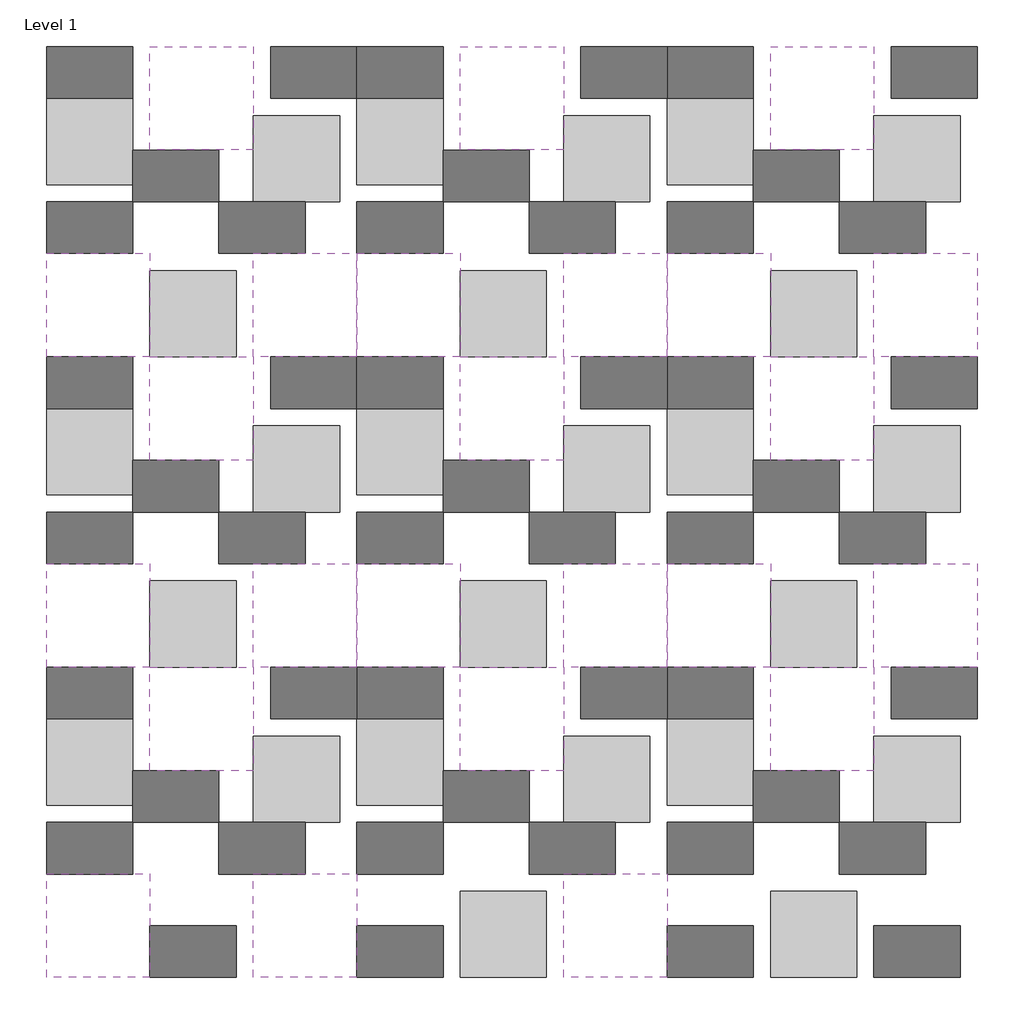
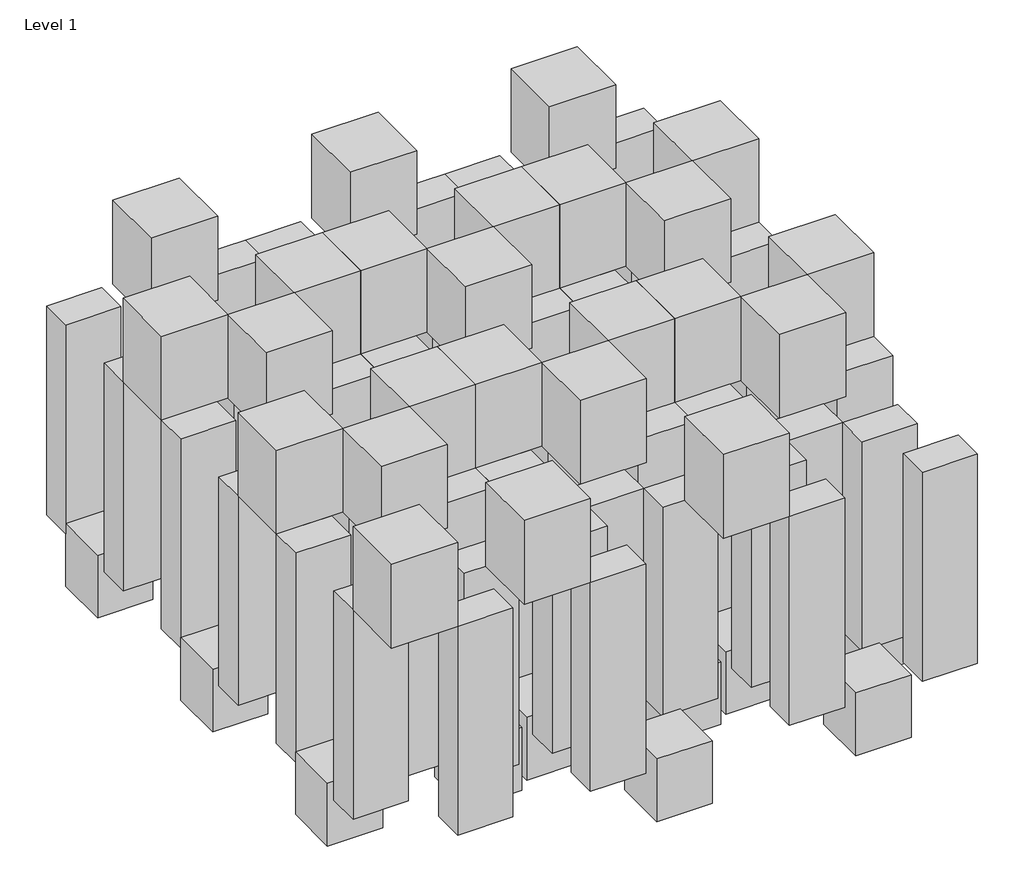
# One storey: 99 proxies.
"""IFC4 building model written with IfcOpenShell, lengths in millimetres."""

import ifcopenshell
import ifcopenshell.guid

model = None  # the IFC model being written
_history = None  # IfcOwnerHistory: only IFC2X3 demands one
_inside = {}  # id of a spatial element -> (the spatial element, [elements in it])
_under = {}  # id of a project, library or spatial element -> (it, [spatial elements below it])
_declared = {}  # id of a project -> (the project, [libraries it declares])
_typed = {}  # id of a type object -> (the type object, [elements of that type])
_made_of = {}  # id of a material, layer set ... -> (it, [elements and type objects made of it])


def new_model(schema):
    """Start an empty IFC model of exactly this schema.

    Asked for "IFC4X3", IfcOpenShell would pick the latest addendum, in which some entities
    have other attributes; the version numbers below select the first issue.
    IFC2X3 requires an IfcOwnerHistory on every rooted entity: one is made here for all.
    """
    global model, _history
    if schema == "IFC4X3":
        model = ifcopenshell.file(schema_version=(4, 3, 0, 0))
    else:
        model = ifcopenshell.file(schema=schema)
    _inside.clear()
    _under.clear()
    _declared.clear()
    _typed.clear()
    _made_of.clear()
    _history = None
    if model.schema == "IFC2X3":
        org = make("IfcOrganization", Name="unknown")
        user = make(
            "IfcPersonAndOrganization",
            ThePerson=make("IfcPerson", FamilyName="unknown"),
            TheOrganization=org,
        )
        app = make(
            "IfcApplication",
            ApplicationDeveloper=org,
            Version="unknown",
            ApplicationFullName="unknown",
            ApplicationIdentifier="unknown",
        )
        _history = make(
            "IfcOwnerHistory",
            OwningUser=user,
            OwningApplication=app,
            ChangeAction="ADDED",
            CreationDate=0,
        )
    return model


def make(cls, **values):
    """One entity of the class cls with the attributes given. An attribute that is None is left unset."""
    return model.create_entity(
        cls, **{name: value for name, value in values.items() if value is not None}
    )


def rooted(cls, **values):
    """An entity with a GlobalId (a new one), such as an element, a storey or a relation."""
    return make(cls, GlobalId=ifcopenshell.guid.new(), OwnerHistory=_history, **values)


def si_unit(unit_type, name, prefix=None):
    """IfcSIUnit, for example si_unit("LENGTHUNIT", "METRE", prefix="MILLI")."""
    return make("IfcSIUnit", UnitType=unit_type, Prefix=prefix, Name=name)


def assignment(units):
    """IfcUnitAssignment: the units of a project."""
    return None if units is None else make("IfcUnitAssignment", Units=units)


def point(xyz):
    """IfcCartesianPoint."""
    return None if xyz is None else make("IfcCartesianPoint", Coordinates=xyz)


def direction(xyz):
    """IfcDirection."""
    return None if xyz is None else make("IfcDirection", DirectionRatios=xyz)


def frame(location, z_axis=None, x_axis=None):
    """IfcAxis2Placement3D, a coordinate frame: its origin and axes. An axis left out is left unset."""
    return make(
        "IfcAxis2Placement3D",
        Location=point(location),
        Axis=direction(z_axis),
        RefDirection=direction(x_axis),
    )


def origin():
    """The frame at (0, 0, 0) with its axes left unset."""
    return frame((0.0, 0.0, 0.0))


def place(relative_to, where):
    """IfcLocalPlacement: puts the frame where relative to a parent placement (None: the world)."""
    return make(
        "IfcLocalPlacement", PlacementRelTo=relative_to, RelativePlacement=where
    )


def context(
    kind, dimensions, precision=None, world=None, true_north=None, identifier=None
):
    """IfcGeometricRepresentationContext, for example the 3D "Model" context."""
    return make(
        "IfcGeometricRepresentationContext",
        ContextIdentifier=identifier,
        ContextType=kind,
        CoordinateSpaceDimension=dimensions,
        Precision=precision,
        WorldCoordinateSystem=world,
        TrueNorth=true_north,
    )


def project(units=None, contexts=None):
    """IfcProject with its units and contexts."""
    return rooted(
        "IfcProject",
        Name="project",
        RepresentationContexts=contexts,
        UnitsInContext=assignment(units),
    )


def spatial(cls, under=None, at=None, **own):
    """A site, building, storey or space (cls), placed at a placement, below another one or the project."""
    s = rooted(cls, ObjectPlacement=at, **own)
    if under is not None:
        _under.setdefault(under.id(), (under, []))[1].append(s)
    return s


def polyline(points):
    """IfcPolyline through the points."""
    return make("IfcPolyline", Points=[point(p) for p in points])


def outline(outer, holes=None, kind="AREA"):
    """IfcArbitraryClosedProfileDef: a profile drawn as a closed curve; with holes, ...WithVoids."""
    if holes is None:
        return make("IfcArbitraryClosedProfileDef", ProfileType=kind, OuterCurve=outer)
    return make(
        "IfcArbitraryProfileDefWithVoids",
        ProfileType=kind,
        OuterCurve=outer,
        InnerCurves=holes,
    )


def extrude(swept, where, along, depth):
    """IfcExtrudedAreaSolid: the profile swept, set in the frame where, extruded along a direction by depth."""
    return make(
        "IfcExtrudedAreaSolid",
        SweptArea=swept,
        Position=where,
        ExtrudedDirection=direction(along),
        Depth=depth,
    )


def shape(context_of_items, identifier, shape_type, items):
    """IfcShapeRepresentation: the items that make up one representation, for example the "Body"."""
    return make(
        "IfcShapeRepresentation",
        ContextOfItems=context_of_items,
        RepresentationIdentifier=identifier,
        RepresentationType=shape_type,
        Items=items,
    )


def source(mapping_origin, context_of_items, identifier, shape_type, items):
    """IfcRepresentationMap: a shape defined once, which mapped items show again and again."""
    return make(
        "IfcRepresentationMap",
        MappingOrigin=mapping_origin,
        MappedRepresentation=shape(context_of_items, identifier, shape_type, items),
    )


def transform(
    local_origin,
    x_axis=None,
    y_axis=None,
    z_axis=None,
    scale=None,
    scale2=None,
    scale3=None,
    uniform=True,
):
    """IfcCartesianTransformationOperator3D, or its non-uniform kind. x_axis, y_axis, z_axis: its Axis1, 2, 3."""
    if uniform:
        return make(
            "IfcCartesianTransformationOperator3D",
            Axis1=direction(x_axis),
            Axis2=direction(y_axis),
            LocalOrigin=point(local_origin),
            Scale=scale,
            Axis3=direction(z_axis),
        )
    return make(
        "IfcCartesianTransformationOperator3DnonUniform",
        Axis1=direction(x_axis),
        Axis2=direction(y_axis),
        LocalOrigin=point(local_origin),
        Scale=scale,
        Axis3=direction(z_axis),
        Scale2=scale2,
        Scale3=scale3,
    )


def mapped(mapping_source, mapping_target):
    """IfcMappedItem: shows the shape of a source again, moved by a transform."""
    return make(
        "IfcMappedItem", MappingSource=mapping_source, MappingTarget=mapping_target
    )


def made_of(thing, what):
    """Note that an element or type object is made of a material, layer set ...; save() writes the relation."""
    if what is not None:
        _made_of.setdefault(what.id(), (what, []))[1].append(thing)
    return thing


def element(
    cls,
    number,
    at=None,
    inside=None,
    cuts=None,
    type_object=None,
    material=None,
    context=None,
    identifier="Body",
    shape_type=None,
    held_by="IfcProductDefinitionShape",
    body=None,
    shapes=None,
    **own,
):
    """One element of the class cls, such as IfcWall. Its Tag is "e" and its number.

    at: its placement. inside: the storey or other place that contains it. cuts: it is an
    opening in that element (IfcRelVoidsElement). A single representation is given by context,
    identifier, shape_type and body (its items); several are given by shapes. held_by: the class
    of the entity that holds the representations. save() writes the other relations.
    """
    e = rooted(cls, Tag="e%d" % number, ObjectPlacement=at, **own)
    if body is not None:
        shapes = [shape(context, identifier, shape_type, body)]
    if shapes is not None:
        e.Representation = make(held_by, Representations=shapes)
    if inside is not None:
        _inside.setdefault(inside.id(), (inside, []))[1].append(e)
    if cuts is not None:
        rooted(
            "IfcRelVoidsElement", RelatingBuildingElement=cuts, RelatedOpeningElement=e
        )
    if type_object is not None:
        _typed.setdefault(type_object.id(), (type_object, []))[1].append(e)
    return made_of(e, material)


def aggregate(whole, parts):
    """IfcRelAggregates: a whole, such as a stair, and the parts it consists of."""
    return rooted("IfcRelAggregates", RelatingObject=whole, RelatedObjects=parts)


def save(model, path):
    """Write the relations noted so far, then the file.

    IfcRelAggregates (storeys below a building ...), IfcRelContainedInSpatialStructure (elements
    in a storey), IfcRelDefinesByType, IfcRelAssociatesMaterial and IfcRelDeclares: one each for
    every whole, place, type object, material and project.
    """
    for whole, parts in _under.values():
        aggregate(whole, parts)
    for where, things in _inside.values():
        rooted(
            "IfcRelContainedInSpatialStructure",
            RelatedElements=things,
            RelatingStructure=where,
        )
    for kind, things in _typed.values():
        rooted("IfcRelDefinesByType", RelatedObjects=things, RelatingType=kind)
    for what, things in _made_of.values():
        rooted("IfcRelAssociatesMaterial", RelatedObjects=things, RelatingMaterial=what)
    for by, libraries in _declared.values():
        rooted("IfcRelDeclares", RelatingContext=by, RelatedDefinitions=libraries)
    model.write(path)


def proxy_30x60cm_f29a2e74(model_context):
    return source(origin(), model_context, "Body", "SweptSolid", [
        extrude(outline(polyline([(500.0, 300.0), (500.0, 0.0), (0.0, 0.0), (0.0, 300.0), (500.0, 300.0)])), frame((0.0, 0.0, 1000.0), z_axis=(0.0, 0.0, 1.0), x_axis=(1.0, 0.0, 0.0)), (0.0, 0.0, 1.0), 2000.0),
    ])


def proxy_50x60cm_c5d58151(model_context):
    return source(origin(), model_context, "Body", "SweptSolid", [
        extrude(outline(polyline([(500.0, 500.0), (500.0, 0.0), (0.0, 0.0), (0.0, 500.0), (500.0, 500.0)])), frame((0.0, 0.0, 500.0), z_axis=(0.0, 0.0, 1.0), x_axis=(1.0, 0.0, 0.0)), (0.0, 0.0, 1.0), 600.0),
    ])


def proxy_60x60cm_f0264738(model_context):
    return source(origin(), model_context, "Body", "SweptSolid", [
        extrude(outline(polyline([(600.0, 600.0), (600.0, 0.0), (0.0, 0.0), (0.0, 600.0), (600.0, 600.0)])), frame((0.0, 0.0, 3000.0), z_axis=(0.0, 0.0, 1.0), x_axis=(1.0, 0.0, 0.0)), (0.0, 0.0, 1.0), 800.0),
    ])


model = new_model("IFC4")

# Units and contexts
model_context = context("Model", 3, world=origin())
ifc_project = project(units=[si_unit("LENGTHUNIT", "METRE", prefix="MILLI")], contexts=[model_context])

# Site, building, storey
site = spatial("IfcSite", under=ifc_project)
building = spatial("IfcBuilding", under=site)
storey = spatial("IfcBuildingStorey", under=building, Name="Level 1", Elevation=0.0)

# Proxies
placement = place(None, origin())
proxy_30x60cm_shape = proxy_30x60cm_f29a2e74(model_context)
element("IfcBuildingElementProxy", 1, Name="30x60cm", ObjectType="30x60cm", at=placement, inside=storey, context=model_context, shape_type="MappedRepresentation", body=[
    mapped(proxy_30x60cm_shape, transform((-372208.4478794, 143346.9726842, 0.0), x_axis=(1.0, 0.0, 0.0), y_axis=(0.0, 1.0, 0.0), z_axis=(0.0, 0.0, 1.0))),
])
element("IfcBuildingElementProxy", 2, Name="30x60cm", ObjectType="30x60cm", at=placement, inside=storey, context=model_context, shape_type="MappedRepresentation", body=[
    mapped(proxy_30x60cm_shape, transform((-372208.4478794, 142446.9726842, 0.0), x_axis=(1.0, 0.0, 0.0), y_axis=(0.0, 1.0, 0.0), z_axis=(0.0, 0.0, 1.0))),
])
element("IfcBuildingElementProxy", 3, Name="30x60cm", ObjectType="30x60cm", at=placement, inside=storey, context=model_context, shape_type="MappedRepresentation", body=[
    mapped(proxy_30x60cm_shape, transform((-371708.4478794, 142746.9726842, 0.0), x_axis=(1.0, 0.0, 0.0), y_axis=(0.0, 1.0, 0.0), z_axis=(0.0, 0.0, 1.0))),
])
element("IfcBuildingElementProxy", 4, Name="30x60cm", ObjectType="30x60cm", at=placement, inside=storey, context=model_context, shape_type="MappedRepresentation", body=[
    mapped(proxy_30x60cm_shape, transform((-371208.4478794, 142446.9726842, 0.0), x_axis=(1.0, 0.0, 0.0), y_axis=(0.0, 1.0, 0.0), z_axis=(0.0, 0.0, 1.0))),
])
element("IfcBuildingElementProxy", 5, Name="30x60cm", ObjectType="30x60cm", at=placement, inside=storey, context=model_context, shape_type="MappedRepresentation", body=[
    mapped(proxy_30x60cm_shape, transform((-371608.4478794, 141846.9726842, 0.0), x_axis=(1.0, 0.0, 0.0), y_axis=(0.0, 1.0, 0.0), z_axis=(0.0, 0.0, 1.0))),
])
element("IfcBuildingElementProxy", 6, Name="30x60cm", ObjectType="30x60cm", at=placement, inside=storey, context=model_context, shape_type="MappedRepresentation", body=[
    mapped(proxy_30x60cm_shape, transform((-370908.4478794, 143346.9726842, 0.0), x_axis=(1.0, 0.0, 0.0), y_axis=(0.0, 1.0, 0.0), z_axis=(0.0, 0.0, 1.0))),
])
element("IfcBuildingElementProxy", 7, Name="30x60cm", ObjectType="30x60cm", at=placement, inside=storey, context=model_context, shape_type="MappedRepresentation", body=[
    mapped(proxy_30x60cm_shape, transform((-370408.4478794, 145146.9726842, 0.0), x_axis=(1.0, 0.0, 0.0), y_axis=(0.0, 1.0, 0.0), z_axis=(0.0, 0.0, 1.0))),
])
element("IfcBuildingElementProxy", 8, Name="30x60cm", ObjectType="30x60cm", at=placement, inside=storey, context=model_context, shape_type="MappedRepresentation", body=[
    mapped(proxy_30x60cm_shape, transform((-370408.4478794, 144246.9726842, 0.0), x_axis=(1.0, 0.0, 0.0), y_axis=(0.0, 1.0, 0.0), z_axis=(0.0, 0.0, 1.0))),
])
element("IfcBuildingElementProxy", 9, Name="30x60cm", ObjectType="30x60cm", at=placement, inside=storey, context=model_context, shape_type="MappedRepresentation", body=[
    mapped(proxy_30x60cm_shape, transform((-369908.4478794, 144546.9726842, 0.0), x_axis=(1.0, 0.0, 0.0), y_axis=(0.0, 1.0, 0.0), z_axis=(0.0, 0.0, 1.0))),
])
element("IfcBuildingElementProxy", 10, Name="30x60cm", ObjectType="30x60cm", at=placement, inside=storey, context=model_context, shape_type="MappedRepresentation", body=[
    mapped(proxy_30x60cm_shape, transform((-369408.4478794, 144246.9726842, 0.0), x_axis=(1.0, 0.0, 0.0), y_axis=(0.0, 1.0, 0.0), z_axis=(0.0, 0.0, 1.0))),
])
element("IfcBuildingElementProxy", 11, Name="30x60cm", ObjectType="30x60cm", at=placement, inside=storey, context=model_context, shape_type="MappedRepresentation", body=[
    mapped(proxy_30x60cm_shape, transform((-369108.4478794, 145146.9726842, 0.0), x_axis=(1.0, 0.0, 0.0), y_axis=(0.0, 1.0, 0.0), z_axis=(0.0, 0.0, 1.0))),
])
element("IfcBuildingElementProxy", 12, Name="30x60cm", ObjectType="30x60cm", at=placement, inside=storey, context=model_context, shape_type="MappedRepresentation", body=[
    mapped(proxy_30x60cm_shape, transform((-370408.4478794, 146946.9726842, 0.0), x_axis=(1.0, 0.0, 0.0), y_axis=(0.0, 1.0, 0.0), z_axis=(0.0, 0.0, 1.0))),
])
element("IfcBuildingElementProxy", 13, Name="30x60cm", ObjectType="30x60cm", at=placement, inside=storey, context=model_context, shape_type="MappedRepresentation", body=[
    mapped(proxy_30x60cm_shape, transform((-370408.4478794, 146046.9726842, 0.0), x_axis=(1.0, 0.0, 0.0), y_axis=(0.0, 1.0, 0.0), z_axis=(0.0, 0.0, 1.0))),
])
element("IfcBuildingElementProxy", 14, Name="30x60cm", ObjectType="30x60cm", at=placement, inside=storey, context=model_context, shape_type="MappedRepresentation", body=[
    mapped(proxy_30x60cm_shape, transform((-369908.4478794, 146346.9726842, 0.0), x_axis=(1.0, 0.0, 0.0), y_axis=(0.0, 1.0, 0.0), z_axis=(0.0, 0.0, 1.0))),
])
element("IfcBuildingElementProxy", 15, Name="30x60cm", ObjectType="30x60cm", at=placement, inside=storey, context=model_context, shape_type="MappedRepresentation", body=[
    mapped(proxy_30x60cm_shape, transform((-369408.4478794, 146046.9726842, 0.0), x_axis=(1.0, 0.0, 0.0), y_axis=(0.0, 1.0, 0.0), z_axis=(0.0, 0.0, 1.0))),
])
element("IfcBuildingElementProxy", 16, Name="30x60cm", ObjectType="30x60cm", at=placement, inside=storey, context=model_context, shape_type="MappedRepresentation", body=[
    mapped(proxy_30x60cm_shape, transform((-369108.4478794, 146946.9726842, 0.0), x_axis=(1.0, 0.0, 0.0), y_axis=(0.0, 1.0, 0.0), z_axis=(0.0, 0.0, 1.0))),
])
element("IfcBuildingElementProxy", 17, Name="30x60cm", ObjectType="30x60cm", at=placement, inside=storey, context=model_context, shape_type="MappedRepresentation", body=[
    mapped(proxy_30x60cm_shape, transform((-368608.4478794, 143346.9726842, 0.0), x_axis=(1.0, 0.0, 0.0), y_axis=(0.0, 1.0, 0.0), z_axis=(0.0, 0.0, 1.0))),
])
element("IfcBuildingElementProxy", 18, Name="30x60cm", ObjectType="30x60cm", at=placement, inside=storey, context=model_context, shape_type="MappedRepresentation", body=[
    mapped(proxy_30x60cm_shape, transform((-368608.4478794, 142446.9726842, 0.0), x_axis=(1.0, 0.0, 0.0), y_axis=(0.0, 1.0, 0.0), z_axis=(0.0, 0.0, 1.0))),
])
element("IfcBuildingElementProxy", 19, Name="30x60cm", ObjectType="30x60cm", at=placement, inside=storey, context=model_context, shape_type="MappedRepresentation", body=[
    mapped(proxy_30x60cm_shape, transform((-368108.4478794, 142746.9726842, 0.0), x_axis=(1.0, 0.0, 0.0), y_axis=(0.0, 1.0, 0.0), z_axis=(0.0, 0.0, 1.0))),
])
element("IfcBuildingElementProxy", 20, Name="30x60cm", ObjectType="30x60cm", at=placement, inside=storey, context=model_context, shape_type="MappedRepresentation", body=[
    mapped(proxy_30x60cm_shape, transform((-367608.4478794, 142446.9726842, 0.0), x_axis=(1.0, 0.0, 0.0), y_axis=(0.0, 1.0, 0.0), z_axis=(0.0, 0.0, 1.0))),
])
element("IfcBuildingElementProxy", 21, Name="30x60cm", ObjectType="30x60cm", at=placement, inside=storey, context=model_context, shape_type="MappedRepresentation", body=[
    mapped(proxy_30x60cm_shape, transform((-368608.4478794, 141846.9726842, 0.0), x_axis=(1.0, 0.0, 0.0), y_axis=(0.0, 1.0, 0.0), z_axis=(0.0, 0.0, 1.0))),
])
element("IfcBuildingElementProxy", 22, Name="30x60cm", ObjectType="30x60cm", at=placement, inside=storey, context=model_context, shape_type="MappedRepresentation", body=[
    mapped(proxy_30x60cm_shape, transform((-367408.4478794, 141846.9726842, 0.0), x_axis=(1.0, 0.0, 0.0), y_axis=(0.0, 1.0, 0.0), z_axis=(0.0, 0.0, 1.0))),
])
element("IfcBuildingElementProxy", 23, Name="30x60cm", ObjectType="30x60cm", at=placement, inside=storey, context=model_context, shape_type="MappedRepresentation", body=[
    mapped(proxy_30x60cm_shape, transform((-367308.4478794, 143346.9726842, 0.0), x_axis=(1.0, 0.0, 0.0), y_axis=(0.0, 1.0, 0.0), z_axis=(0.0, 0.0, 1.0))),
])
element("IfcBuildingElementProxy", 24, Name="30x60cm", ObjectType="30x60cm", at=placement, inside=storey, context=model_context, shape_type="MappedRepresentation", body=[
    mapped(proxy_30x60cm_shape, transform((-372208.4478794, 146946.9726842, 0.0), x_axis=(1.0, 0.0, 0.0), y_axis=(0.0, 1.0, 0.0), z_axis=(0.0, 0.0, 1.0))),
])
element("IfcBuildingElementProxy", 25, Name="30x60cm", ObjectType="30x60cm", at=placement, inside=storey, context=model_context, shape_type="MappedRepresentation", body=[
    mapped(proxy_30x60cm_shape, transform((-372208.4478794, 146046.9726842, 0.0), x_axis=(1.0, 0.0, 0.0), y_axis=(0.0, 1.0, 0.0), z_axis=(0.0, 0.0, 1.0))),
])
element("IfcBuildingElementProxy", 26, Name="30x60cm", ObjectType="30x60cm", at=placement, inside=storey, context=model_context, shape_type="MappedRepresentation", body=[
    mapped(proxy_30x60cm_shape, transform((-371708.4478794, 146346.9726842, 0.0), x_axis=(1.0, 0.0, 0.0), y_axis=(0.0, 1.0, 0.0), z_axis=(0.0, 0.0, 1.0))),
])
element("IfcBuildingElementProxy", 27, Name="30x60cm", ObjectType="30x60cm", at=placement, inside=storey, context=model_context, shape_type="MappedRepresentation", body=[
    mapped(proxy_30x60cm_shape, transform((-371208.4478794, 146046.9726842, 0.0), x_axis=(1.0, 0.0, 0.0), y_axis=(0.0, 1.0, 0.0), z_axis=(0.0, 0.0, 1.0))),
])
element("IfcBuildingElementProxy", 28, Name="30x60cm", ObjectType="30x60cm", at=placement, inside=storey, context=model_context, shape_type="MappedRepresentation", body=[
    mapped(proxy_30x60cm_shape, transform((-370908.4478794, 146946.9726842, 0.0), x_axis=(1.0, 0.0, 0.0), y_axis=(0.0, 1.0, 0.0), z_axis=(0.0, 0.0, 1.0))),
])
element("IfcBuildingElementProxy", 29, Name="30x60cm", ObjectType="30x60cm", at=placement, inside=storey, context=model_context, shape_type="MappedRepresentation", body=[
    mapped(proxy_30x60cm_shape, transform((-368608.4478794, 146946.9726842, 0.0), x_axis=(1.0, 0.0, 0.0), y_axis=(0.0, 1.0, 0.0), z_axis=(0.0, 0.0, 1.0))),
])
element("IfcBuildingElementProxy", 30, Name="30x60cm", ObjectType="30x60cm", at=placement, inside=storey, context=model_context, shape_type="MappedRepresentation", body=[
    mapped(proxy_30x60cm_shape, transform((-368608.4478794, 146046.9726842, 0.0), x_axis=(1.0, 0.0, 0.0), y_axis=(0.0, 1.0, 0.0), z_axis=(0.0, 0.0, 1.0))),
])
element("IfcBuildingElementProxy", 31, Name="30x60cm", ObjectType="30x60cm", at=placement, inside=storey, context=model_context, shape_type="MappedRepresentation", body=[
    mapped(proxy_30x60cm_shape, transform((-368108.4478794, 146346.9726842, 0.0), x_axis=(1.0, 0.0, 0.0), y_axis=(0.0, 1.0, 0.0), z_axis=(0.0, 0.0, 1.0))),
])
element("IfcBuildingElementProxy", 32, Name="30x60cm", ObjectType="30x60cm", at=placement, inside=storey, context=model_context, shape_type="MappedRepresentation", body=[
    mapped(proxy_30x60cm_shape, transform((-367608.4478794, 146046.9726842, 0.0), x_axis=(1.0, 0.0, 0.0), y_axis=(0.0, 1.0, 0.0), z_axis=(0.0, 0.0, 1.0))),
])
element("IfcBuildingElementProxy", 33, Name="30x60cm", ObjectType="30x60cm", at=placement, inside=storey, context=model_context, shape_type="MappedRepresentation", body=[
    mapped(proxy_30x60cm_shape, transform((-367308.4478794, 146946.9726842, 0.0), x_axis=(1.0, 0.0, 0.0), y_axis=(0.0, 1.0, 0.0), z_axis=(0.0, 0.0, 1.0))),
])
element("IfcBuildingElementProxy", 34, Name="30x60cm", ObjectType="30x60cm", at=placement, inside=storey, context=model_context, shape_type="MappedRepresentation", body=[
    mapped(proxy_30x60cm_shape, transform((-370408.4478794, 143346.9726842, 0.0), x_axis=(1.0, 0.0, 0.0), y_axis=(0.0, 1.0, 0.0), z_axis=(0.0, 0.0, 1.0))),
])
element("IfcBuildingElementProxy", 35, Name="30x60cm", ObjectType="30x60cm", at=placement, inside=storey, context=model_context, shape_type="MappedRepresentation", body=[
    mapped(proxy_30x60cm_shape, transform((-370408.4478794, 142446.9726842, 0.0), x_axis=(1.0, 0.0, 0.0), y_axis=(0.0, 1.0, 0.0), z_axis=(0.0, 0.0, 1.0))),
])
element("IfcBuildingElementProxy", 36, Name="30x60cm", ObjectType="30x60cm", at=placement, inside=storey, context=model_context, shape_type="MappedRepresentation", body=[
    mapped(proxy_30x60cm_shape, transform((-369908.4478794, 142746.9726842, 0.0), x_axis=(1.0, 0.0, 0.0), y_axis=(0.0, 1.0, 0.0), z_axis=(0.0, 0.0, 1.0))),
])
element("IfcBuildingElementProxy", 37, Name="30x60cm", ObjectType="30x60cm", at=placement, inside=storey, context=model_context, shape_type="MappedRepresentation", body=[
    mapped(proxy_30x60cm_shape, transform((-369408.4478794, 142446.9726842, 0.0), x_axis=(1.0, 0.0, 0.0), y_axis=(0.0, 1.0, 0.0), z_axis=(0.0, 0.0, 1.0))),
])
element("IfcBuildingElementProxy", 38, Name="30x60cm", ObjectType="30x60cm", at=placement, inside=storey, context=model_context, shape_type="MappedRepresentation", body=[
    mapped(proxy_30x60cm_shape, transform((-370408.4478794, 141846.9726842, 0.0), x_axis=(1.0, 0.0, 0.0), y_axis=(0.0, 1.0, 0.0), z_axis=(0.0, 0.0, 1.0))),
])
element("IfcBuildingElementProxy", 39, Name="30x60cm", ObjectType="30x60cm", at=placement, inside=storey, context=model_context, shape_type="MappedRepresentation", body=[
    mapped(proxy_30x60cm_shape, transform((-369108.4478794, 143346.9726842, 0.0), x_axis=(1.0, 0.0, 0.0), y_axis=(0.0, 1.0, 0.0), z_axis=(0.0, 0.0, 1.0))),
])
element("IfcBuildingElementProxy", 40, Name="30x60cm", ObjectType="30x60cm", at=placement, inside=storey, context=model_context, shape_type="MappedRepresentation", body=[
    mapped(proxy_30x60cm_shape, transform((-368608.4478794, 145146.9726842, 0.0), x_axis=(1.0, 0.0, 0.0), y_axis=(0.0, 1.0, 0.0), z_axis=(0.0, 0.0, 1.0))),
])
element("IfcBuildingElementProxy", 41, Name="30x60cm", ObjectType="30x60cm", at=placement, inside=storey, context=model_context, shape_type="MappedRepresentation", body=[
    mapped(proxy_30x60cm_shape, transform((-368608.4478794, 144246.9726842, 0.0), x_axis=(1.0, 0.0, 0.0), y_axis=(0.0, 1.0, 0.0), z_axis=(0.0, 0.0, 1.0))),
])
element("IfcBuildingElementProxy", 42, Name="30x60cm", ObjectType="30x60cm", at=placement, inside=storey, context=model_context, shape_type="MappedRepresentation", body=[
    mapped(proxy_30x60cm_shape, transform((-368108.4478794, 144546.9726842, 0.0), x_axis=(1.0, 0.0, 0.0), y_axis=(0.0, 1.0, 0.0), z_axis=(0.0, 0.0, 1.0))),
])
element("IfcBuildingElementProxy", 43, Name="30x60cm", ObjectType="30x60cm", at=placement, inside=storey, context=model_context, shape_type="MappedRepresentation", body=[
    mapped(proxy_30x60cm_shape, transform((-367608.4478794, 144246.9726842, 0.0), x_axis=(1.0, 0.0, 0.0), y_axis=(0.0, 1.0, 0.0), z_axis=(0.0, 0.0, 1.0))),
])
element("IfcBuildingElementProxy", 44, Name="30x60cm", ObjectType="30x60cm", at=placement, inside=storey, context=model_context, shape_type="MappedRepresentation", body=[
    mapped(proxy_30x60cm_shape, transform((-367308.4478794, 145146.9726842, 0.0), x_axis=(1.0, 0.0, 0.0), y_axis=(0.0, 1.0, 0.0), z_axis=(0.0, 0.0, 1.0))),
])
element("IfcBuildingElementProxy", 45, Name="30x60cm", ObjectType="30x60cm", at=placement, inside=storey, context=model_context, shape_type="MappedRepresentation", body=[
    mapped(proxy_30x60cm_shape, transform((-372208.4478794, 145146.9726842, 0.0), x_axis=(1.0, 0.0, 0.0), y_axis=(0.0, 1.0, 0.0), z_axis=(0.0, 0.0, 1.0))),
])
element("IfcBuildingElementProxy", 46, Name="30x60cm", ObjectType="30x60cm", at=placement, inside=storey, context=model_context, shape_type="MappedRepresentation", body=[
    mapped(proxy_30x60cm_shape, transform((-372208.4478794, 144246.9726842, 0.0), x_axis=(1.0, 0.0, 0.0), y_axis=(0.0, 1.0, 0.0), z_axis=(0.0, 0.0, 1.0))),
])
element("IfcBuildingElementProxy", 47, Name="30x60cm", ObjectType="30x60cm", at=placement, inside=storey, context=model_context, shape_type="MappedRepresentation", body=[
    mapped(proxy_30x60cm_shape, transform((-371708.4478794, 144546.9726842, 0.0), x_axis=(1.0, 0.0, 0.0), y_axis=(0.0, 1.0, 0.0), z_axis=(0.0, 0.0, 1.0))),
])
element("IfcBuildingElementProxy", 48, Name="30x60cm", ObjectType="30x60cm", at=placement, inside=storey, context=model_context, shape_type="MappedRepresentation", body=[
    mapped(proxy_30x60cm_shape, transform((-371208.4478794, 144246.9726842, 0.0), x_axis=(1.0, 0.0, 0.0), y_axis=(0.0, 1.0, 0.0), z_axis=(0.0, 0.0, 1.0))),
])
element("IfcBuildingElementProxy", 49, Name="30x60cm", ObjectType="30x60cm", at=placement, inside=storey, context=model_context, shape_type="MappedRepresentation", body=[
    mapped(proxy_30x60cm_shape, transform((-370908.4478794, 145146.9726842, 0.0), x_axis=(1.0, 0.0, 0.0), y_axis=(0.0, 1.0, 0.0), z_axis=(0.0, 0.0, 1.0))),
])
proxy_50x60cm_shape = proxy_50x60cm_c5d58151(model_context)
element("IfcBuildingElementProxy", 50, Name="50x60cm", ObjectType="50x60cm", at=placement, inside=storey, context=model_context, shape_type="MappedRepresentation", body=[
    mapped(proxy_50x60cm_shape, transform((-371008.4478794, 142746.9726842, 0.0), x_axis=(1.0, 0.0, 0.0), y_axis=(0.0, 1.0, 0.0), z_axis=(0.0, 0.0, 1.0))),
])
element("IfcBuildingElementProxy", 51, Name="50x60cm", ObjectType="50x60cm", at=placement, inside=storey, context=model_context, shape_type="MappedRepresentation", body=[
    mapped(proxy_50x60cm_shape, transform((-372208.4478794, 142846.9726842, 0.0), x_axis=(1.0, 0.0, 0.0), y_axis=(0.0, 1.0, 0.0), z_axis=(0.0, 0.0, 1.0))),
])
element("IfcBuildingElementProxy", 52, Name="50x60cm", ObjectType="50x60cm", at=placement, inside=storey, context=model_context, shape_type="MappedRepresentation", body=[
    mapped(proxy_50x60cm_shape, transform((-369808.4478794, 143646.9726842, 0.0), x_axis=(1.0, 0.0, 0.0), y_axis=(0.0, 1.0, 0.0), z_axis=(0.0, 0.0, 1.0))),
])
element("IfcBuildingElementProxy", 53, Name="50x60cm", ObjectType="50x60cm", at=placement, inside=storey, context=model_context, shape_type="MappedRepresentation", body=[
    mapped(proxy_50x60cm_shape, transform((-369208.4478794, 144546.9726842, 0.0), x_axis=(1.0, 0.0, 0.0), y_axis=(0.0, 1.0, 0.0), z_axis=(0.0, 0.0, 1.0))),
])
element("IfcBuildingElementProxy", 54, Name="50x60cm", ObjectType="50x60cm", at=placement, inside=storey, context=model_context, shape_type="MappedRepresentation", body=[
    mapped(proxy_50x60cm_shape, transform((-370408.4478794, 144646.9726842, 0.0), x_axis=(1.0, 0.0, 0.0), y_axis=(0.0, 1.0, 0.0), z_axis=(0.0, 0.0, 1.0))),
])
element("IfcBuildingElementProxy", 55, Name="50x60cm", ObjectType="50x60cm", at=placement, inside=storey, context=model_context, shape_type="MappedRepresentation", body=[
    mapped(proxy_50x60cm_shape, transform((-369808.4478794, 145446.9726842, 0.0), x_axis=(1.0, 0.0, 0.0), y_axis=(0.0, 1.0, 0.0), z_axis=(0.0, 0.0, 1.0))),
])
element("IfcBuildingElementProxy", 56, Name="50x60cm", ObjectType="50x60cm", at=placement, inside=storey, context=model_context, shape_type="MappedRepresentation", body=[
    mapped(proxy_50x60cm_shape, transform((-369208.4478794, 146346.9726842, 0.0), x_axis=(1.0, 0.0, 0.0), y_axis=(0.0, 1.0, 0.0), z_axis=(0.0, 0.0, 1.0))),
])
element("IfcBuildingElementProxy", 57, Name="50x60cm", ObjectType="50x60cm", at=placement, inside=storey, context=model_context, shape_type="MappedRepresentation", body=[
    mapped(proxy_50x60cm_shape, transform((-370408.4478794, 146446.9726842, 0.0), x_axis=(1.0, 0.0, 0.0), y_axis=(0.0, 1.0, 0.0), z_axis=(0.0, 0.0, 1.0))),
])
element("IfcBuildingElementProxy", 58, Name="50x60cm", ObjectType="50x60cm", at=placement, inside=storey, context=model_context, shape_type="MappedRepresentation", body=[
    mapped(proxy_50x60cm_shape, transform((-368008.4478794, 141846.9726842, 0.0), x_axis=(1.0, 0.0, 0.0), y_axis=(0.0, 1.0, 0.0), z_axis=(0.0, 0.0, 1.0))),
])
element("IfcBuildingElementProxy", 59, Name="50x60cm", ObjectType="50x60cm", at=placement, inside=storey, context=model_context, shape_type="MappedRepresentation", body=[
    mapped(proxy_50x60cm_shape, transform((-367408.4478794, 142746.9726842, 0.0), x_axis=(1.0, 0.0, 0.0), y_axis=(0.0, 1.0, 0.0), z_axis=(0.0, 0.0, 1.0))),
])
element("IfcBuildingElementProxy", 60, Name="50x60cm", ObjectType="50x60cm", at=placement, inside=storey, context=model_context, shape_type="MappedRepresentation", body=[
    mapped(proxy_50x60cm_shape, transform((-368608.4478794, 142846.9726842, 0.0), x_axis=(1.0, 0.0, 0.0), y_axis=(0.0, 1.0, 0.0), z_axis=(0.0, 0.0, 1.0))),
])
element("IfcBuildingElementProxy", 61, Name="50x60cm", ObjectType="50x60cm", at=placement, inside=storey, context=model_context, shape_type="MappedRepresentation", body=[
    mapped(proxy_50x60cm_shape, transform((-371608.4478794, 145446.9726842, 0.0), x_axis=(1.0, 0.0, 0.0), y_axis=(0.0, 1.0, 0.0), z_axis=(0.0, 0.0, 1.0))),
])
element("IfcBuildingElementProxy", 62, Name="50x60cm", ObjectType="50x60cm", at=placement, inside=storey, context=model_context, shape_type="MappedRepresentation", body=[
    mapped(proxy_50x60cm_shape, transform((-371008.4478794, 146346.9726842, 0.0), x_axis=(1.0, 0.0, 0.0), y_axis=(0.0, 1.0, 0.0), z_axis=(0.0, 0.0, 1.0))),
])
element("IfcBuildingElementProxy", 63, Name="50x60cm", ObjectType="50x60cm", at=placement, inside=storey, context=model_context, shape_type="MappedRepresentation", body=[
    mapped(proxy_50x60cm_shape, transform((-372208.4478794, 146446.9726842, 0.0), x_axis=(1.0, 0.0, 0.0), y_axis=(0.0, 1.0, 0.0), z_axis=(0.0, 0.0, 1.0))),
])
element("IfcBuildingElementProxy", 64, Name="50x60cm", ObjectType="50x60cm", at=placement, inside=storey, context=model_context, shape_type="MappedRepresentation", body=[
    mapped(proxy_50x60cm_shape, transform((-368008.4478794, 145446.9726842, 0.0), x_axis=(1.0, 0.0, 0.0), y_axis=(0.0, 1.0, 0.0), z_axis=(0.0, 0.0, 1.0))),
])
element("IfcBuildingElementProxy", 65, Name="50x60cm", ObjectType="50x60cm", at=placement, inside=storey, context=model_context, shape_type="MappedRepresentation", body=[
    mapped(proxy_50x60cm_shape, transform((-367408.4478794, 146346.9726842, 0.0), x_axis=(1.0, 0.0, 0.0), y_axis=(0.0, 1.0, 0.0), z_axis=(0.0, 0.0, 1.0))),
])
element("IfcBuildingElementProxy", 66, Name="50x60cm", ObjectType="50x60cm", at=placement, inside=storey, context=model_context, shape_type="MappedRepresentation", body=[
    mapped(proxy_50x60cm_shape, transform((-368608.4478794, 146446.9726842, 0.0), x_axis=(1.0, 0.0, 0.0), y_axis=(0.0, 1.0, 0.0), z_axis=(0.0, 0.0, 1.0))),
])
element("IfcBuildingElementProxy", 67, Name="50x60cm", ObjectType="50x60cm", at=placement, inside=storey, context=model_context, shape_type="MappedRepresentation", body=[
    mapped(proxy_50x60cm_shape, transform((-369808.4478794, 141846.9726842, 0.0), x_axis=(1.0, 0.0, 0.0), y_axis=(0.0, 1.0, 0.0), z_axis=(0.0, 0.0, 1.0))),
])
element("IfcBuildingElementProxy", 68, Name="50x60cm", ObjectType="50x60cm", at=placement, inside=storey, context=model_context, shape_type="MappedRepresentation", body=[
    mapped(proxy_50x60cm_shape, transform((-369208.4478794, 142746.9726842, 0.0), x_axis=(1.0, 0.0, 0.0), y_axis=(0.0, 1.0, 0.0), z_axis=(0.0, 0.0, 1.0))),
])
element("IfcBuildingElementProxy", 69, Name="50x60cm", ObjectType="50x60cm", at=placement, inside=storey, context=model_context, shape_type="MappedRepresentation", body=[
    mapped(proxy_50x60cm_shape, transform((-370408.4478794, 142846.9726842, 0.0), x_axis=(1.0, 0.0, 0.0), y_axis=(0.0, 1.0, 0.0), z_axis=(0.0, 0.0, 1.0))),
])
element("IfcBuildingElementProxy", 70, Name="50x60cm", ObjectType="50x60cm", at=placement, inside=storey, context=model_context, shape_type="MappedRepresentation", body=[
    mapped(proxy_50x60cm_shape, transform((-368008.4478794, 143646.9726842, 0.0), x_axis=(1.0, 0.0, 0.0), y_axis=(0.0, 1.0, 0.0), z_axis=(0.0, 0.0, 1.0))),
])
element("IfcBuildingElementProxy", 71, Name="50x60cm", ObjectType="50x60cm", at=placement, inside=storey, context=model_context, shape_type="MappedRepresentation", body=[
    mapped(proxy_50x60cm_shape, transform((-367408.4478794, 144546.9726842, 0.0), x_axis=(1.0, 0.0, 0.0), y_axis=(0.0, 1.0, 0.0), z_axis=(0.0, 0.0, 1.0))),
])
element("IfcBuildingElementProxy", 72, Name="50x60cm", ObjectType="50x60cm", at=placement, inside=storey, context=model_context, shape_type="MappedRepresentation", body=[
    mapped(proxy_50x60cm_shape, transform((-368608.4478794, 144646.9726842, 0.0), x_axis=(1.0, 0.0, 0.0), y_axis=(0.0, 1.0, 0.0), z_axis=(0.0, 0.0, 1.0))),
])
element("IfcBuildingElementProxy", 73, Name="50x60cm", ObjectType="50x60cm", at=placement, inside=storey, context=model_context, shape_type="MappedRepresentation", body=[
    mapped(proxy_50x60cm_shape, transform((-371608.4478794, 143646.9726842, 0.0), x_axis=(1.0, 0.0, 0.0), y_axis=(0.0, 1.0, 0.0), z_axis=(0.0, 0.0, 1.0))),
])
element("IfcBuildingElementProxy", 74, Name="50x60cm", ObjectType="50x60cm", at=placement, inside=storey, context=model_context, shape_type="MappedRepresentation", body=[
    mapped(proxy_50x60cm_shape, transform((-371008.4478794, 144546.9726842, 0.0), x_axis=(1.0, 0.0, 0.0), y_axis=(0.0, 1.0, 0.0), z_axis=(0.0, 0.0, 1.0))),
])
element("IfcBuildingElementProxy", 75, Name="50x60cm", ObjectType="50x60cm", at=placement, inside=storey, context=model_context, shape_type="MappedRepresentation", body=[
    mapped(proxy_50x60cm_shape, transform((-372208.4478794, 144646.9726842, 0.0), x_axis=(1.0, 0.0, 0.0), y_axis=(0.0, 1.0, 0.0), z_axis=(0.0, 0.0, 1.0))),
])
proxy_60x60cm_shape = proxy_60x60cm_f0264738(model_context)
element("IfcBuildingElementProxy", 76, Name="60x60cm", ObjectType="60x60cm", at=placement, inside=storey, context=model_context, shape_type="MappedRepresentation", body=[
    mapped(proxy_60x60cm_shape, transform((-372208.4478794, 141846.9726842, 0.0), x_axis=(1.0, 0.0, 0.0), y_axis=(0.0, 1.0, 0.0), z_axis=(0.0, 0.0, 1.0))),
])
element("IfcBuildingElementProxy", 77, Name="60x60cm", ObjectType="60x60cm", at=placement, inside=storey, context=model_context, shape_type="MappedRepresentation", body=[
    mapped(proxy_60x60cm_shape, transform((-371608.4478794, 143046.9726842, 0.0), x_axis=(1.0, 0.0, 0.0), y_axis=(0.0, 1.0, 0.0), z_axis=(0.0, 0.0, 1.0))),
])
element("IfcBuildingElementProxy", 78, Name="60x60cm", ObjectType="60x60cm", at=placement, inside=storey, context=model_context, shape_type="MappedRepresentation", body=[
    mapped(proxy_60x60cm_shape, transform((-371008.4478794, 141846.9726842, 0.0), x_axis=(1.0, 0.0, 0.0), y_axis=(0.0, 1.0, 0.0), z_axis=(0.0, 0.0, 1.0))),
])
element("IfcBuildingElementProxy", 79, Name="60x60cm", ObjectType="60x60cm", at=placement, inside=storey, context=model_context, shape_type="MappedRepresentation", body=[
    mapped(proxy_60x60cm_shape, transform((-370408.4478794, 143646.9726842, 0.0), x_axis=(1.0, 0.0, 0.0), y_axis=(0.0, 1.0, 0.0), z_axis=(0.0, 0.0, 1.0))),
])
element("IfcBuildingElementProxy", 80, Name="60x60cm", ObjectType="60x60cm", at=placement, inside=storey, context=model_context, shape_type="MappedRepresentation", body=[
    mapped(proxy_60x60cm_shape, transform((-369808.4478794, 144846.9726842, 0.0), x_axis=(1.0, 0.0, 0.0), y_axis=(0.0, 1.0, 0.0), z_axis=(0.0, 0.0, 1.0))),
])
element("IfcBuildingElementProxy", 81, Name="60x60cm", ObjectType="60x60cm", at=placement, inside=storey, context=model_context, shape_type="MappedRepresentation", body=[
    mapped(proxy_60x60cm_shape, transform((-369208.4478794, 143646.9726842, 0.0), x_axis=(1.0, 0.0, 0.0), y_axis=(0.0, 1.0, 0.0), z_axis=(0.0, 0.0, 1.0))),
])
element("IfcBuildingElementProxy", 82, Name="60x60cm", ObjectType="60x60cm", at=placement, inside=storey, context=model_context, shape_type="MappedRepresentation", body=[
    mapped(proxy_60x60cm_shape, transform((-370408.4478794, 145446.9726842, 0.0), x_axis=(1.0, 0.0, 0.0), y_axis=(0.0, 1.0, 0.0), z_axis=(0.0, 0.0, 1.0))),
])
element("IfcBuildingElementProxy", 83, Name="60x60cm", ObjectType="60x60cm", at=placement, inside=storey, context=model_context, shape_type="MappedRepresentation", body=[
    mapped(proxy_60x60cm_shape, transform((-369808.4478794, 146646.9726842, 0.0), x_axis=(1.0, 0.0, 0.0), y_axis=(0.0, 1.0, 0.0), z_axis=(0.0, 0.0, 1.0))),
])
element("IfcBuildingElementProxy", 84, Name="60x60cm", ObjectType="60x60cm", at=placement, inside=storey, context=model_context, shape_type="MappedRepresentation", body=[
    mapped(proxy_60x60cm_shape, transform((-369208.4478794, 145446.9726842, 0.0), x_axis=(1.0, 0.0, 0.0), y_axis=(0.0, 1.0, 0.0), z_axis=(0.0, 0.0, 1.0))),
])
element("IfcBuildingElementProxy", 85, Name="60x60cm", ObjectType="60x60cm", at=placement, inside=storey, context=model_context, shape_type="MappedRepresentation", body=[
    mapped(proxy_60x60cm_shape, transform((-368008.4478794, 143046.9726842, 0.0), x_axis=(1.0, 0.0, 0.0), y_axis=(0.0, 1.0, 0.0), z_axis=(0.0, 0.0, 1.0))),
])
element("IfcBuildingElementProxy", 86, Name="60x60cm", ObjectType="60x60cm", at=placement, inside=storey, context=model_context, shape_type="MappedRepresentation", body=[
    mapped(proxy_60x60cm_shape, transform((-372208.4478794, 145446.9726842, 0.0), x_axis=(1.0, 0.0, 0.0), y_axis=(0.0, 1.0, 0.0), z_axis=(0.0, 0.0, 1.0))),
])
element("IfcBuildingElementProxy", 87, Name="60x60cm", ObjectType="60x60cm", at=placement, inside=storey, context=model_context, shape_type="MappedRepresentation", body=[
    mapped(proxy_60x60cm_shape, transform((-371608.4478794, 146646.9726842, 0.0), x_axis=(1.0, 0.0, 0.0), y_axis=(0.0, 1.0, 0.0), z_axis=(0.0, 0.0, 1.0))),
])
element("IfcBuildingElementProxy", 88, Name="60x60cm", ObjectType="60x60cm", at=placement, inside=storey, context=model_context, shape_type="MappedRepresentation", body=[
    mapped(proxy_60x60cm_shape, transform((-371008.4478794, 145446.9726842, 0.0), x_axis=(1.0, 0.0, 0.0), y_axis=(0.0, 1.0, 0.0), z_axis=(0.0, 0.0, 1.0))),
])
element("IfcBuildingElementProxy", 89, Name="60x60cm", ObjectType="60x60cm", at=placement, inside=storey, context=model_context, shape_type="MappedRepresentation", body=[
    mapped(proxy_60x60cm_shape, transform((-368608.4478794, 145446.9726842, 0.0), x_axis=(1.0, 0.0, 0.0), y_axis=(0.0, 1.0, 0.0), z_axis=(0.0, 0.0, 1.0))),
])
element("IfcBuildingElementProxy", 90, Name="60x60cm", ObjectType="60x60cm", at=placement, inside=storey, context=model_context, shape_type="MappedRepresentation", body=[
    mapped(proxy_60x60cm_shape, transform((-368008.4478794, 146646.9726842, 0.0), x_axis=(1.0, 0.0, 0.0), y_axis=(0.0, 1.0, 0.0), z_axis=(0.0, 0.0, 1.0))),
])
element("IfcBuildingElementProxy", 91, Name="60x60cm", ObjectType="60x60cm", at=placement, inside=storey, context=model_context, shape_type="MappedRepresentation", body=[
    mapped(proxy_60x60cm_shape, transform((-367408.4478794, 145446.9726842, 0.0), x_axis=(1.0, 0.0, 0.0), y_axis=(0.0, 1.0, 0.0), z_axis=(0.0, 0.0, 1.0))),
])
element("IfcBuildingElementProxy", 92, Name="60x60cm", ObjectType="60x60cm", at=placement, inside=storey, context=model_context, shape_type="MappedRepresentation", body=[
    mapped(proxy_60x60cm_shape, transform((-369808.4478794, 143046.9726842, 0.0), x_axis=(1.0, 0.0, 0.0), y_axis=(0.0, 1.0, 0.0), z_axis=(0.0, 0.0, 1.0))),
])
element("IfcBuildingElementProxy", 93, Name="60x60cm", ObjectType="60x60cm", at=placement, inside=storey, context=model_context, shape_type="MappedRepresentation", body=[
    mapped(proxy_60x60cm_shape, transform((-369208.4478794, 141846.9726842, 0.0), x_axis=(1.0, 0.0, 0.0), y_axis=(0.0, 1.0, 0.0), z_axis=(0.0, 0.0, 1.0))),
])
element("IfcBuildingElementProxy", 94, Name="60x60cm", ObjectType="60x60cm", at=placement, inside=storey, context=model_context, shape_type="MappedRepresentation", body=[
    mapped(proxy_60x60cm_shape, transform((-368608.4478794, 143646.9726842, 0.0), x_axis=(1.0, 0.0, 0.0), y_axis=(0.0, 1.0, 0.0), z_axis=(0.0, 0.0, 1.0))),
])
element("IfcBuildingElementProxy", 95, Name="60x60cm", ObjectType="60x60cm", at=placement, inside=storey, context=model_context, shape_type="MappedRepresentation", body=[
    mapped(proxy_60x60cm_shape, transform((-368008.4478794, 144846.9726842, 0.0), x_axis=(1.0, 0.0, 0.0), y_axis=(0.0, 1.0, 0.0), z_axis=(0.0, 0.0, 1.0))),
])
element("IfcBuildingElementProxy", 96, Name="60x60cm", ObjectType="60x60cm", at=placement, inside=storey, context=model_context, shape_type="MappedRepresentation", body=[
    mapped(proxy_60x60cm_shape, transform((-367408.4478794, 143646.9726842, 0.0), x_axis=(1.0, 0.0, 0.0), y_axis=(0.0, 1.0, 0.0), z_axis=(0.0, 0.0, 1.0))),
])
element("IfcBuildingElementProxy", 97, Name="60x60cm", ObjectType="60x60cm", at=placement, inside=storey, context=model_context, shape_type="MappedRepresentation", body=[
    mapped(proxy_60x60cm_shape, transform((-372208.4478794, 143646.9726842, 0.0), x_axis=(1.0, 0.0, 0.0), y_axis=(0.0, 1.0, 0.0), z_axis=(0.0, 0.0, 1.0))),
])
element("IfcBuildingElementProxy", 98, Name="60x60cm", ObjectType="60x60cm", at=placement, inside=storey, context=model_context, shape_type="MappedRepresentation", body=[
    mapped(proxy_60x60cm_shape, transform((-371608.4478794, 144846.9726842, 0.0), x_axis=(1.0, 0.0, 0.0), y_axis=(0.0, 1.0, 0.0), z_axis=(0.0, 0.0, 1.0))),
])
element("IfcBuildingElementProxy", 99, Name="60x60cm", ObjectType="60x60cm", at=placement, inside=storey, context=model_context, shape_type="MappedRepresentation", body=[
    mapped(proxy_60x60cm_shape, transform((-371008.4478794, 143646.9726842, 0.0), x_axis=(1.0, 0.0, 0.0), y_axis=(0.0, 1.0, 0.0), z_axis=(0.0, 0.0, 1.0))),
])

save(model, "model.ifc")
